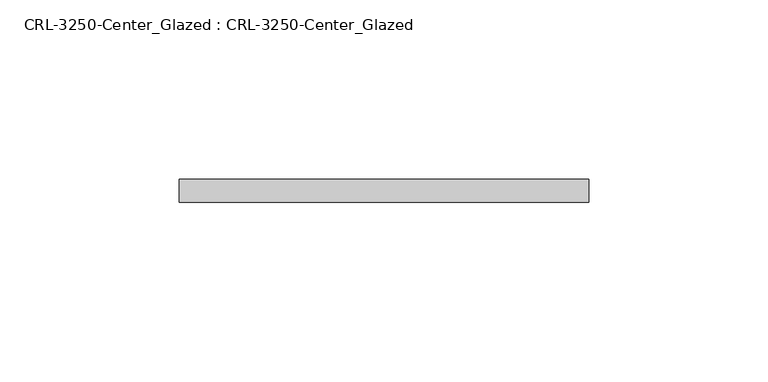
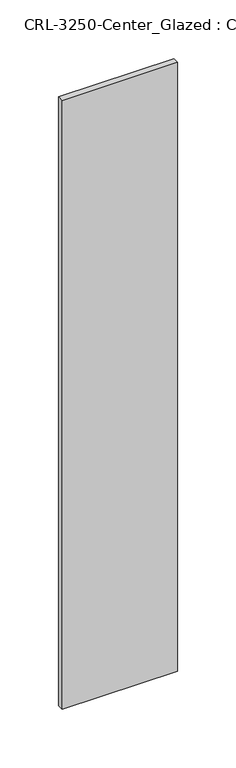
"""IFC4 building model written with IfcOpenShell, lengths in millimetres: plate geometry, CRL-3250-Center_Glazed : CRL-3250-Center_Glazed."""

import ifcopenshell
import ifcopenshell.guid

model = None  # the IFC model being written
_history = None  # IfcOwnerHistory: only IFC2X3 demands one
_inside = {}  # id of a spatial element -> (the spatial element, [elements in it])
_under = {}  # id of a project, library or spatial element -> (it, [spatial elements below it])
_declared = {}  # id of a project -> (the project, [libraries it declares])
_typed = {}  # id of a type object -> (the type object, [elements of that type])
_made_of = {}  # id of a material, layer set ... -> (it, [elements and type objects made of it])


def new_model(schema):
    """Start an empty IFC model of exactly this schema.

    Asked for "IFC4X3", IfcOpenShell would pick the latest addendum, in which some entities
    have other attributes; the version numbers below select the first issue.
    IFC2X3 requires an IfcOwnerHistory on every rooted entity: one is made here for all.
    """
    global model, _history
    if schema == "IFC4X3":
        model = ifcopenshell.file(schema_version=(4, 3, 0, 0))
    else:
        model = ifcopenshell.file(schema=schema)
    _inside.clear()
    _under.clear()
    _declared.clear()
    _typed.clear()
    _made_of.clear()
    _history = None
    if model.schema == "IFC2X3":
        org = make("IfcOrganization", Name="unknown")
        user = make(
            "IfcPersonAndOrganization",
            ThePerson=make("IfcPerson", FamilyName="unknown"),
            TheOrganization=org,
        )
        app = make(
            "IfcApplication",
            ApplicationDeveloper=org,
            Version="unknown",
            ApplicationFullName="unknown",
            ApplicationIdentifier="unknown",
        )
        _history = make(
            "IfcOwnerHistory",
            OwningUser=user,
            OwningApplication=app,
            ChangeAction="ADDED",
            CreationDate=0,
        )
    return model


def make(cls, **values):
    """One entity of the class cls with the attributes given. An attribute that is None is left unset."""
    return model.create_entity(
        cls, **{name: value for name, value in values.items() if value is not None}
    )


def rooted(cls, **values):
    """An entity with a GlobalId (a new one), such as an element, a storey or a relation."""
    return make(cls, GlobalId=ifcopenshell.guid.new(), OwnerHistory=_history, **values)


def si_unit(unit_type, name, prefix=None):
    """IfcSIUnit, for example si_unit("LENGTHUNIT", "METRE", prefix="MILLI")."""
    return make("IfcSIUnit", UnitType=unit_type, Prefix=prefix, Name=name)


def assignment(units):
    """IfcUnitAssignment: the units of a project."""
    return None if units is None else make("IfcUnitAssignment", Units=units)


def point(xyz):
    """IfcCartesianPoint."""
    return None if xyz is None else make("IfcCartesianPoint", Coordinates=xyz)


def direction(xyz):
    """IfcDirection."""
    return None if xyz is None else make("IfcDirection", DirectionRatios=xyz)


def frame(location, z_axis=None, x_axis=None):
    """IfcAxis2Placement3D, a coordinate frame: its origin and axes. An axis left out is left unset."""
    return make(
        "IfcAxis2Placement3D",
        Location=point(location),
        Axis=direction(z_axis),
        RefDirection=direction(x_axis),
    )


def origin():
    """The frame at (0, 0, 0) with its axes left unset."""
    return frame((0.0, 0.0, 0.0))


def origin_with_axes():
    """The frame at (0, 0, 0) with the z axis (0, 0, 1) and the x axis (1, 0, 0) written out."""
    return frame((0.0, 0.0, 0.0), z_axis=(0.0, 0.0, 1.0), x_axis=(1.0, 0.0, 0.0))


def place(relative_to, where):
    """IfcLocalPlacement: puts the frame where relative to a parent placement (None: the world)."""
    return make(
        "IfcLocalPlacement", PlacementRelTo=relative_to, RelativePlacement=where
    )


def context(
    kind, dimensions, precision=None, world=None, true_north=None, identifier=None
):
    """IfcGeometricRepresentationContext, for example the 3D "Model" context."""
    return make(
        "IfcGeometricRepresentationContext",
        ContextIdentifier=identifier,
        ContextType=kind,
        CoordinateSpaceDimension=dimensions,
        Precision=precision,
        WorldCoordinateSystem=world,
        TrueNorth=true_north,
    )


def project(units=None, contexts=None):
    """IfcProject with its units and contexts."""
    return rooted(
        "IfcProject",
        Name="project",
        RepresentationContexts=contexts,
        UnitsInContext=assignment(units),
    )


def spatial(cls, under=None, at=None, **own):
    """A site, building, storey or space (cls), placed at a placement, below another one or the project."""
    s = rooted(cls, ObjectPlacement=at, **own)
    if under is not None:
        _under.setdefault(under.id(), (under, []))[1].append(s)
    return s


def polyline(points):
    """IfcPolyline through the points."""
    return make("IfcPolyline", Points=[point(p) for p in points])


def outline(outer, holes=None, kind="AREA"):
    """IfcArbitraryClosedProfileDef: a profile drawn as a closed curve; with holes, ...WithVoids."""
    if holes is None:
        return make("IfcArbitraryClosedProfileDef", ProfileType=kind, OuterCurve=outer)
    return make(
        "IfcArbitraryProfileDefWithVoids",
        ProfileType=kind,
        OuterCurve=outer,
        InnerCurves=holes,
    )


def extrude(swept, where, along, depth):
    """IfcExtrudedAreaSolid: the profile swept, set in the frame where, extruded along a direction by depth."""
    return make(
        "IfcExtrudedAreaSolid",
        SweptArea=swept,
        Position=where,
        ExtrudedDirection=direction(along),
        Depth=depth,
    )


def shape(context_of_items, identifier, shape_type, items):
    """IfcShapeRepresentation: the items that make up one representation, for example the "Body"."""
    return make(
        "IfcShapeRepresentation",
        ContextOfItems=context_of_items,
        RepresentationIdentifier=identifier,
        RepresentationType=shape_type,
        Items=items,
    )


def source(mapping_origin, context_of_items, identifier, shape_type, items):
    """IfcRepresentationMap: a shape defined once, which mapped items show again and again."""
    return make(
        "IfcRepresentationMap",
        MappingOrigin=mapping_origin,
        MappedRepresentation=shape(context_of_items, identifier, shape_type, items),
    )


def transform(
    local_origin,
    x_axis=None,
    y_axis=None,
    z_axis=None,
    scale=None,
    scale2=None,
    scale3=None,
    uniform=True,
):
    """IfcCartesianTransformationOperator3D, or its non-uniform kind. x_axis, y_axis, z_axis: its Axis1, 2, 3."""
    if uniform:
        return make(
            "IfcCartesianTransformationOperator3D",
            Axis1=direction(x_axis),
            Axis2=direction(y_axis),
            LocalOrigin=point(local_origin),
            Scale=scale,
            Axis3=direction(z_axis),
        )
    return make(
        "IfcCartesianTransformationOperator3DnonUniform",
        Axis1=direction(x_axis),
        Axis2=direction(y_axis),
        LocalOrigin=point(local_origin),
        Scale=scale,
        Axis3=direction(z_axis),
        Scale2=scale2,
        Scale3=scale3,
    )


def mapped(mapping_source, mapping_target):
    """IfcMappedItem: shows the shape of a source again, moved by a transform."""
    return make(
        "IfcMappedItem", MappingSource=mapping_source, MappingTarget=mapping_target
    )


def made_of(thing, what):
    """Note that an element or type object is made of a material, layer set ...; save() writes the relation."""
    if what is not None:
        _made_of.setdefault(what.id(), (what, []))[1].append(thing)
    return thing


def element(
    cls,
    number,
    at=None,
    inside=None,
    cuts=None,
    type_object=None,
    material=None,
    context=None,
    identifier="Body",
    shape_type=None,
    held_by="IfcProductDefinitionShape",
    body=None,
    shapes=None,
    **own,
):
    """One element of the class cls, such as IfcWall. Its Tag is "e" and its number.

    at: its placement. inside: the storey or other place that contains it. cuts: it is an
    opening in that element (IfcRelVoidsElement). A single representation is given by context,
    identifier, shape_type and body (its items); several are given by shapes. held_by: the class
    of the entity that holds the representations. save() writes the other relations.
    """
    e = rooted(cls, Tag="e%d" % number, ObjectPlacement=at, **own)
    if body is not None:
        shapes = [shape(context, identifier, shape_type, body)]
    if shapes is not None:
        e.Representation = make(held_by, Representations=shapes)
    if inside is not None:
        _inside.setdefault(inside.id(), (inside, []))[1].append(e)
    if cuts is not None:
        rooted(
            "IfcRelVoidsElement", RelatingBuildingElement=cuts, RelatedOpeningElement=e
        )
    if type_object is not None:
        _typed.setdefault(type_object.id(), (type_object, []))[1].append(e)
    return made_of(e, material)


def aggregate(whole, parts):
    """IfcRelAggregates: a whole, such as a stair, and the parts it consists of."""
    return rooted("IfcRelAggregates", RelatingObject=whole, RelatedObjects=parts)


def save(model, path):
    """Write the relations noted so far, then the file.

    IfcRelAggregates (storeys below a building ...), IfcRelContainedInSpatialStructure (elements
    in a storey), IfcRelDefinesByType, IfcRelAssociatesMaterial and IfcRelDeclares: one each for
    every whole, place, type object, material and project.
    """
    for whole, parts in _under.values():
        aggregate(whole, parts)
    for where, things in _inside.values():
        rooted(
            "IfcRelContainedInSpatialStructure",
            RelatedElements=things,
            RelatingStructure=where,
        )
    for kind, things in _typed.values():
        rooted("IfcRelDefinesByType", RelatedObjects=things, RelatingType=kind)
    for what, things in _made_of.values():
        rooted("IfcRelAssociatesMaterial", RelatedObjects=things, RelatingMaterial=what)
    for by, libraries in _declared.values():
        rooted("IfcRelDeclares", RelatingContext=by, RelatedDefinitions=libraries)
    model.write(path)


def crl_3250_center_glazed_crl_3250_center_glazed_d52305aa(model_context):
    return source(origin(), model_context, "Body", "SweptSolid", [
        extrude(outline(polyline([(57.0626824, -3.1749999), (-57.0626824, -3.1749999), (-57.0626824, 3.1749999), (57.0626824, 3.1749999), (57.0626824, -3.1749999)])), origin_with_axes(), (0.0, 0.0, 1.0), 635.0),
    ])


if __name__ == "__main__":
    model = new_model("IFC4")
    model_context = context("Model", 3, world=origin())
    ifc_project = project(units=[si_unit("LENGTHUNIT", "METRE", prefix="MILLI")], contexts=[model_context])
    site = spatial("IfcSite", under=ifc_project)
    building = spatial("IfcBuilding", under=site)
    placement = place(None, origin())
    crl_3250_center_glazed_crl_3250_center_glazed_shape = crl_3250_center_glazed_crl_3250_center_glazed_d52305aa(model_context)
    element("IfcPlate", 1, ObjectType="CRL-3250-Center_Glazed : CRL-3250-Center_Glazed", at=placement, inside=building, context=model_context, shape_type="MappedRepresentation", body=[
        mapped(crl_3250_center_glazed_crl_3250_center_glazed_shape, transform((0.0, 0.0, 0.0), x_axis=(1.0, 0.0, 0.0), y_axis=(0.0, 1.0, 0.0), z_axis=(0.0, 0.0, 1.0))),
    ])
    save(model, "model.ifc")
